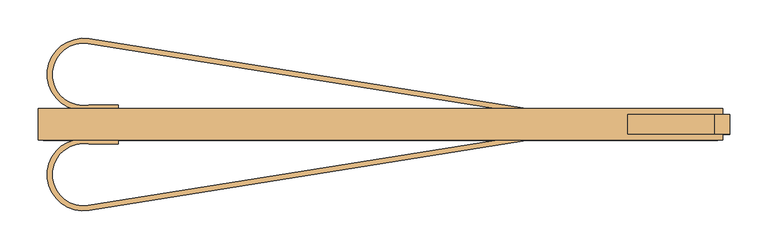
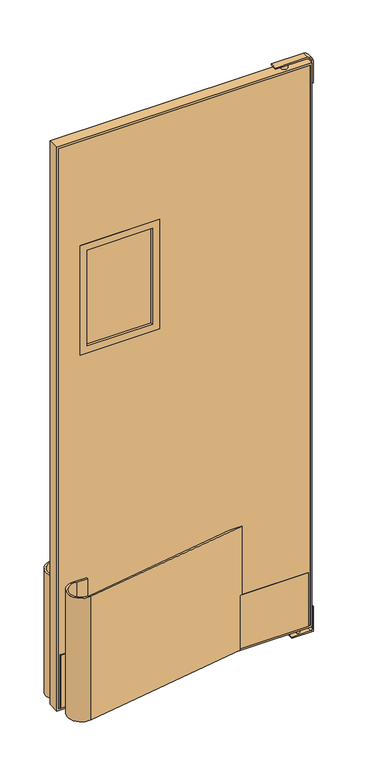
"""IFC4 building model written with IfcOpenShell, lengths in millimetres: door geometry."""

from ifc_helpers import new_model, si_unit, point, frame, frame_2d, origin, place, context, project, spatial, polyline, circle_curve, trimmed, segment, composite_curve, outline, extrude, source, transform, mapped, element, save
from ifc_brep_helpers import plane_surface, cylinder_surface, advanced_brep


def door_f2b2a341(model_context):
    return source(origin(), model_context, "Body", "SolidModel", [
        extrude(outline(polyline([(-98.425, -19.4028808), (-327.025, -19.4028808), (-327.025, -0.3528808), (-98.425, -0.3528808), (-98.425, -19.4028808)])), frame((0.0, 0.0, 1339.85), z_axis=(0.0, 0.0, 1.0), x_axis=(1.0, 0.0, 0.0)), (0.0, 0.0, 1.0), 355.6),
        extrude(outline(polyline([(1314.45, -352.425), (1314.45, -73.025), (1720.85, -73.025), (1720.85, -352.425), (1314.45, -352.425)]), holes=[polyline([(1339.85, -327.025), (1695.45, -327.025), (1695.45, -98.425), (1339.85, -98.425), (1339.85, -327.025)])]), frame((0.0, -28.9278808, 0.0), z_axis=(0.0, 1.0, 0.0), x_axis=(0.0, 0.0, 1.0)), (0.0, 0.0, 1.0), 38.1),
        extrude(outline(composite_curve([segment(polyline([(-369.3028232, -116.0897743), (175.6910199, -28.9278808), (215.9, -28.9278808), (-368.3, -122.3600889)]), True, "CONTINUOUS"), segment(trimmed(circle_curve(frame_2d((-375.7713947, -75.6439848)), 47.3097888), [point((-368.3, -122.3600889))], [point((-368.3, -28.9278808))], False, "CARTESIAN"), True, "CONTINUOUS"), segment(polyline([(-368.3, -28.9278808), (-330.2, -28.9278808), (-330.2, -35.2778808), (-368.8228738, -35.2778808)]), True, "CONTINUOUS"), segment(trimmed(circle_curve(frame_2d((-375.7713947, -75.6439848)), 40.9597888), [point((-368.8228738, -35.2778808))], [point((-369.3028232, -116.0897743))], True, "CARTESIAN"), True, "CONTINUOUS")], self_intersect=False)), frame((0.0, 0.0, 25.4), z_axis=(0.0, 0.0, 1.0), x_axis=(1.0, 0.0, 0.0)), (0.0, 0.0, 1.0), 457.2),
        extrude(outline(composite_curve([segment(trimmed(circle_curve(frame_2d((-375.7713947, 55.8882233)), 40.9597888), [point((-369.3028232, 96.3340128))], [point((-368.8228738, 15.5221192))], True, "CARTESIAN"), True, "CONTINUOUS"), segment(polyline([(-368.8228738, 15.5221192), (-330.2, 15.5221192), (-330.2, 9.1721192), (-368.3, 9.1721192)]), True, "CONTINUOUS"), segment(trimmed(circle_curve(frame_2d((-375.7713947, 55.8882233)), 47.3097888), [point((-368.3, 9.1721192))], [point((-368.3, 102.6043274))], False, "CARTESIAN"), True, "CONTINUOUS"), segment(polyline([(-368.3, 102.6043274), (215.9, 9.1721192), (175.6910199, 9.1721192), (-369.3028232, 96.3340128)]), True, "CONTINUOUS")], self_intersect=False)), frame((0.0, 0.0, 25.4), z_axis=(0.0, 0.0, 1.0), x_axis=(1.0, 0.0, 0.0)), (0.0, 0.0, 1.0), 457.2),
        extrude(outline(polyline([(-422.275, 10.7596192), (447.675, 10.7596192), (447.675, 9.1721192), (-422.275, 9.1721192), (-422.275, 10.7596192)])), frame((0.0, 0.0, 31.75), z_axis=(0.0, 0.0, 1.0), x_axis=(1.0, 0.0, 0.0)), (0.0, 0.0, 1.0), 196.85),
        extrude(outline(polyline([(447.675, -30.5153808), (-422.275, -30.5153808), (-422.275, -28.9278808), (447.675, -28.9278808), (447.675, -30.5153808)])), frame((0.0, 0.0, 31.75), z_axis=(0.0, 0.0, 1.0), x_axis=(1.0, 0.0, 0.0)), (0.0, 0.0, 1.0), 196.85),
        advanced_brep(
        [(417.53461, -9.8778808, 4.2458424), (428.8568565, -9.8778808, 4.2458424), (428.8568565, -9.8778808, 25.4), (417.53461, -9.8778808, 25.4), (423.1957332, -9.8778808, 4.2458424), (423.1957332, -9.8778808, 25.4)],
        [
            (0, 1, circle_curve(frame((423.1957332, -9.8778808, 4.2458424), z_axis=(0.0, 0.0, 1.0), x_axis=(1.0, 0.0, 0.0)), 5.6611232)),
            (1, 2),
            (2, 3, circle_curve(frame((423.1957332, -9.8778808, 25.4), z_axis=(0.0, 0.0, -1.0), x_axis=(1.0, 0.0, 0.0)), 5.6611232)),
            (3, 0),
            (1, 0, circle_curve(frame((423.1957332, -9.8778808, 4.2458424), z_axis=(0.0, 0.0, 1.0), x_axis=(1.0, 0.0, 0.0)), 5.6611232)),
            (3, 2, circle_curve(frame((423.1957332, -9.8778808, 25.4), z_axis=(0.0, 0.0, -1.0), x_axis=(1.0, 0.0, 0.0)), 5.6611232)),
            (4, 1),
            (0, 4),
            (2, 5),
            (5, 3),
        ],
        [
            cylinder_surface(frame((423.1957332, -9.8778808, 18.7916712), z_axis=(0.0, 0.0, -1.0), x_axis=(1.0, 0.0, 0.0)), 5.6611232),
            plane_surface(frame((423.1957332, -9.8778808, 4.2458424), z_axis=(0.0, 0.0, -1.0), x_axis=(1.0, 0.0, 0.0))),
            plane_surface(frame((423.1957332, -9.8778808, 25.4), z_axis=(0.0, 0.0, 1.0), x_axis=(1.0, 0.0, 0.0))),
        ],
        [
            (0, [[1, 2, 3, 4]]),
            (0, [[5, -4, 6, -2]]),
            (1, [[7, -1, 8]]),
            (1, [[-8, -5, -7]]),
            (2, [[-3, 9, 10]]),
            (2, [[-6, -10, -9]]),
        ],
    ),
        advanced_brep(
        [(374.65, -9.8778808, 2114.55), (385.7625, -9.8778808, 2114.55), (363.5375, -9.8778808, 2114.55), (363.5375, -9.8778808, 2128.8375), (385.7625, -9.8778808, 2128.8375), (374.65, -9.8778808, 2128.8375)],
        [
            (0, 1),
            (1, 2, circle_curve(frame((374.65, -9.8778808, 2114.55), z_axis=(0.0, 0.0, -1.0), x_axis=(1.0, 0.0, 0.0)), 11.1125)),
            (2, 0),
            (2, 1, circle_curve(frame((374.65, -9.8778808, 2114.55), z_axis=(0.0, 0.0, -1.0), x_axis=(1.0, 0.0, 0.0)), 11.1125)),
            (3, 4, circle_curve(frame((374.65, -9.8778808, 2128.8375), z_axis=(0.0, 0.0, 1.0), x_axis=(1.0, 0.0, 0.0)), 11.1125)),
            (4, 5),
            (5, 3),
            (4, 3, circle_curve(frame((374.65, -9.8778808, 2128.8375), z_axis=(0.0, 0.0, 1.0), x_axis=(1.0, 0.0, 0.0)), 11.1125)),
            (1, 4),
            (3, 2),
        ],
        [
            plane_surface(frame((374.65, -9.8778808, 2114.55), z_axis=(0.0, 0.0, -1.0), x_axis=(1.0, 0.0, 0.0))),
            plane_surface(frame((374.65, -9.8778808, 2128.8375), z_axis=(0.0, 0.0, 1.0), x_axis=(1.0, 0.0, 0.0))),
            cylinder_surface(frame((374.65, -9.8778808, -41.502018), z_axis=(0.0, 0.0, -1.0), x_axis=(1.0, 0.0, 0.0)), 11.1125),
        ],
        [
            (0, [[1, 2, 3]]),
            (0, [[-3, 4, -1]]),
            (1, [[5, 6, 7]]),
            (1, [[8, -7, -6]]),
            (2, [[-2, 9, -5, 10]]),
            (2, [[-4, -10, -8, -9]]),
        ],
    ),
        extrude(outline(composite_curve([segment(polyline([(2133.6, 336.55), (2128.8375, 336.55), (2128.8375, 449.2625)]), True, "CONTINUOUS"), segment(trimmed(circle_curve(frame_2d((2112.9625, 449.2625)), 15.875), [point((2128.8375, 449.2625))], [point((2112.9625, 465.1375))], True, "CARTESIAN"), True, "CONTINUOUS"), segment(polyline([(2112.9625, 465.1375), (2032.0, 465.1375), (2032.0, 469.9), (2112.9625, 469.9)]), True, "CONTINUOUS"), segment(trimmed(circle_curve(frame_2d((2112.9625, 449.2625)), 20.6375), [point((2112.9625, 469.9))], [point((2133.6, 449.2625))], False, "CARTESIAN"), True, "CONTINUOUS"), segment(polyline([(2133.6, 449.2625), (2133.6, 336.55)]), True, "CONTINUOUS")], self_intersect=False)), frame((0.0, -22.5778808, 0.0), z_axis=(0.0, 1.0, 0.0), x_axis=(0.0, 0.0, 1.0)), (0.0, 0.0, 1.0), 25.4),
        extrude(outline(composite_curve([segment(polyline([(4.2458424, 394.890117), (0.0, 394.890117), (0.0, 469.9), (91.8431435, 469.9), (91.8431435, 465.6541576), (9.9069657, 465.6541576)]), True, "CONTINUOUS"), segment(trimmed(circle_curve(frame_2d((9.9069657, 459.9930343)), 5.6611232), [point((9.9069657, 465.6541576))], [point((4.2458424, 459.9930343))], True, "CARTESIAN"), True, "CONTINUOUS"), segment(polyline([(4.2458424, 459.9930343), (4.2458424, 394.890117)]), True, "CONTINUOUS")], self_intersect=False)), frame((0.0, -22.5778808, 0.0), z_axis=(0.0, 1.0, 0.0), x_axis=(0.0, 0.0, 1.0)), (0.0, 0.0, 1.0), 25.4),
        extrude(outline(polyline([(2108.2, -428.625), (25.4, -428.625), (25.4, 454.025), (2108.2, 454.025), (2108.2, -428.625)]), holes=[polyline([(1720.85, -352.425), (1720.85, -73.025), (1314.45, -73.025), (1314.45, -352.425), (1720.85, -352.425)])]), frame((0.0, -28.9278808, 0.0), z_axis=(0.0, 1.0, 0.0), x_axis=(0.0, 0.0, 1.0)), (0.0, 0.0, 1.0), 38.1),
        extrude(outline(polyline([(25.4, 460.375), (2114.55, 460.375), (2114.55, -434.975), (25.4, -434.975), (25.4, 460.375)]), holes=[polyline([(2108.2, 454.025), (31.75, 454.025), (31.75, -428.625), (2108.2, -428.625), (2108.2, 454.025)])]), frame((0.0, -30.5153808, 0.0), z_axis=(0.0, 1.0, 0.0), x_axis=(0.0, 0.0, 1.0)), (0.0, 0.0, 1.0), 41.275),
    ])


if __name__ == "__main__":
    model = new_model("IFC4")
    model_context = context("Model", 3, world=origin())
    ifc_project = project(units=[si_unit("LENGTHUNIT", "METRE", prefix="MILLI")], contexts=[model_context])
    site = spatial("IfcSite", under=ifc_project)
    building = spatial("IfcBuilding", under=site)
    placement = place(None, origin())
    door_shape = door_f2b2a341(model_context)
    element("IfcDoor", 1, at=placement, inside=building, context=model_context, shape_type="MappedRepresentation", body=[
        mapped(door_shape, transform((0.0, 0.0, 0.0), x_axis=(1.0, 0.0, 0.0), y_axis=(0.0, 1.0, 0.0), z_axis=(0.0, 0.0, 1.0))),
    ])
    save(model, "model.ifc")
